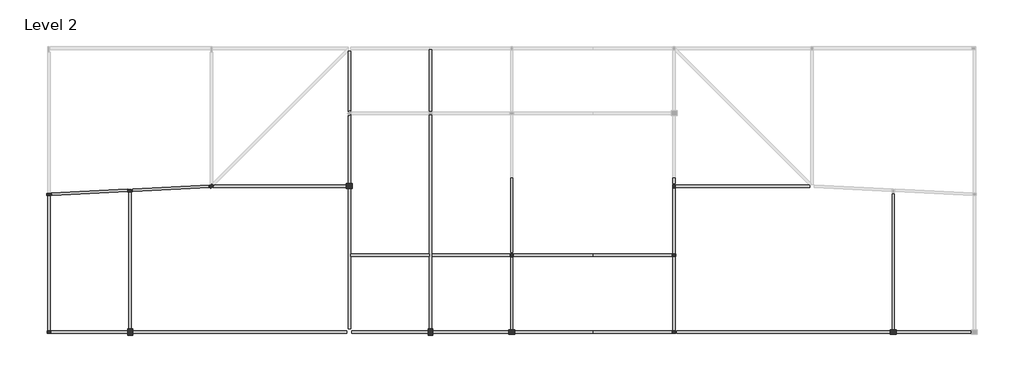
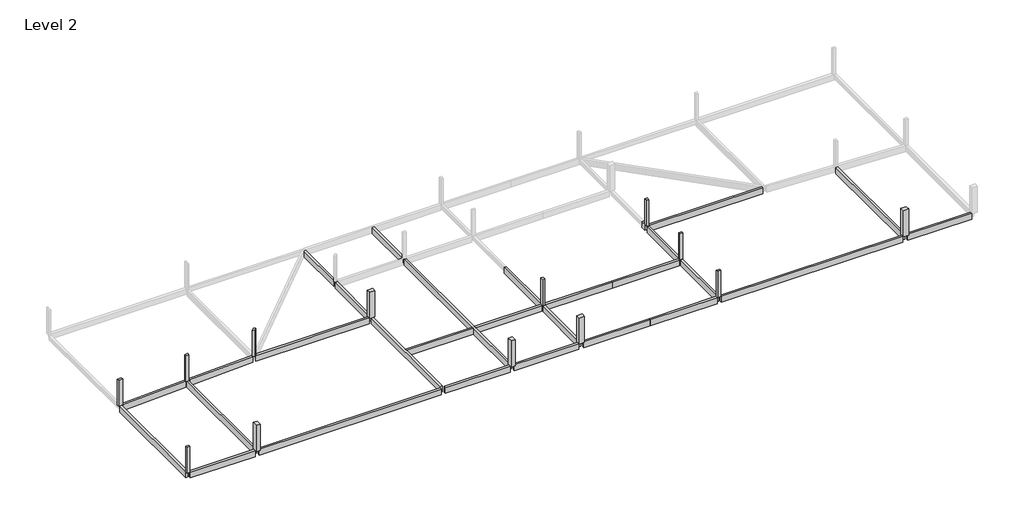
# One storey, part 1 of 2: 20 beams, 13 columns.
"""IFC4 building model written with IfcOpenShell, lengths in millimetres."""

from ifc_helpers import new_model, si_unit, frame, origin, place, context, project, spatial, polyline, outline, extrude, faceted_brep, element, save

model = new_model("IFC4")

# Units and contexts
model_context = context("Model", 3, world=origin())
ifc_project = project(units=[si_unit("LENGTHUNIT", "METRE", prefix="MILLI")], contexts=[model_context])

# Site, building, storey
site = spatial("IfcSite", under=ifc_project)
building = spatial("IfcBuilding", under=site)
storey = spatial("IfcBuildingStorey", under=building, Name="Level 2", Elevation=4000.0)

# Beams
placement = place(None, origin())
element("IfcBeam", 1, ObjectType="M_Concrete-Rectangular Beam : 300 x 900mm", at=placement, inside=storey, context=model_context, shape_type="SweptSolid", body=[
    extrude(outline(polyline([(4306.1468235, -7094.9155312), (4416.3524686, -7205.1211763), (-5015.5057722, -7676.7140883), (-5030.4870573, -7377.0883867), (4500.5245483, -6900.5378064), (4306.1468235, -7094.9155312)])), frame((0.0, 0.0, 3100.0), z_axis=(0.0, 0.0, 1.0), x_axis=(1.0, 0.0, 0.0)), (0.0, 0.0, 1.0), 900.0),
    extrude(outline(polyline([(-5629.7384606, -7407.0509568), (-5614.7571755, -7706.6766585), (-15015.5057722, -8176.7140883), (-15030.4870573, -7877.0883867), (-5629.7384606, -7407.0509568)])), frame((0.0, 0.0, 3100.0), z_axis=(0.0, 0.0, 1.0), x_axis=(1.0, 0.0, 0.0)), (0.0, 0.0, 1.0), 900.0),
])
element("IfcBeam", 2, ObjectType="M_Concrete-Rectangular Beam : 300 x 900mm", at=placement, inside=storey, context=model_context, shape_type="SweptSolid", body=[
    extrude(outline(polyline([(-15472.6221164, -8274.663597), (-15172.6221164, -8259.663597), (-15172.6221164, -24816.8825226), (-15472.6221164, -24816.8825226), (-15472.6221164, -8274.663597)])), frame((0.0, 0.0, 3100.0), z_axis=(0.0, 0.0, 1.0), x_axis=(1.0, 0.0, 0.0)), (0.0, 0.0, 1.0), 900.0),
])
element("IfcBeam", 3, ObjectType="M_Concrete-Rectangular Beam : 300 x 900mm", at=placement, inside=storey, context=model_context, shape_type="SweptSolid", body=[
    extrude(outline(polyline([(-5022.6221164, -25191.8825226), (-5022.6221164, -24891.8825226), (21377.3778836, -24891.8825226), (21377.3778836, -25191.8825226), (-5022.6221164, -25191.8825226)])), frame((0.0, 0.0, 3100.0), z_axis=(0.0, 0.0, 1.0), x_axis=(1.0, 0.0, 0.0)), (0.0, 0.0, 1.0), 900.0),
    extrude(outline(polyline([(-15022.6221164, -25191.8825226), (-15022.6221164, -24891.8825226), (-5622.6221164, -24891.8825226), (-5622.6221164, -25191.8825226), (-15022.6221164, -25191.8825226)])), frame((0.0, 0.0, 3100.0), z_axis=(0.0, 0.0, 1.0), x_axis=(1.0, 0.0, 0.0)), (0.0, 0.0, 1.0), 900.0),
])
element("IfcBeam", 4, ObjectType="M_Concrete-Rectangular Beam : 300 x 900mm", at=placement, inside=storey, context=model_context, shape_type="Brep", body=[
    faceted_brep([(21527.3778836, -24666.8825226, 4000.0), (21827.3778836, -24666.8825226, 4000.0), (21827.3778836, -15691.8825226, 4000.0), (21827.3778836, -15391.8825226, 4000.0), (21827.3778836, -7341.8825226, 4000.0), (21527.3778836, -7341.8825226, 4000.0), (21527.3778836, -24666.8825226, 3100.0), (21527.3778836, -7341.8825226, 3100.0), (21827.3778836, -24666.8825226, 3100.0), (21827.3778836, -7341.8825226, 3100.0), (21827.3778836, -15391.8825226, 3100.0), (21827.3778836, -15691.8825226, 3100.0)], [[[0, 1, 2, 3, 4, 5]], [[6, 0, 5, 7]], [[8, 6, 7, 9, 10, 11]], [[1, 8, 11, 10, 9, 4, 3, 2]], [[1, 0, 6, 8]], [[5, 4, 9, 7]]]),
    faceted_brep([(21527.3778836, 9595.9854431, 3100.0), (21527.3778836, 9595.9854431, 4000.0), (21539.509918, 9608.1174774, 4000.0), (21539.509918, 9608.1174774, 3100.0), (21827.3778836, 9608.1174774, 4000.0), (21827.3778836, 9608.1174774, 3100.0), (21730.4108922, 2329.3485375, 3100.0), (21730.4108922, 2329.3485375, 4000.0), (21527.3778836, 2126.315529, 4000.0), (21527.3778836, 2126.315529, 3100.0), (21827.3778836, 2232.3815461, 3100.0), (21827.3778836, 2232.3815461, 4000.0)], [[[0, 1, 2, 3]], [[2, 4, 5, 3]], [[6, 7, 8, 9]], [[7, 6, 10, 11]], [[2, 1, 8, 7, 11, 4]], [[1, 0, 9, 8]], [[0, 3, 5, 10, 6, 9]], [[5, 4, 11, 10]]]),
    faceted_brep([(21624.344875, 1586.8864173, 3100.0), (21624.344875, 1586.8864173, 4000.0), (21827.3778836, 1789.9194259, 4000.0), (21827.3778836, 1789.9194259, 3100.0), (21527.3778836, 1683.8534087, 3100.0), (21527.3778836, 1683.8534087, 4000.0), (21827.3778836, -6741.8825226, 4000.0), (21527.3778836, -6741.8825226, 4000.0), (21527.3778836, -6741.8825226, 3100.0), (21827.3778836, -6741.8825226, 3100.0)], [[[0, 1, 2, 3]], [[1, 0, 4, 5]], [[6, 7, 8, 9]], [[2, 1, 5, 7, 6]], [[5, 4, 8, 7]], [[0, 3, 9, 8, 4]], [[3, 2, 6, 9]]]),
])
element("IfcBeam", 5, ObjectType="M_Concrete-Rectangular Beam : 300 x 900mm", at=placement, inside=storey, context=model_context, shape_type="SweptSolid", body=[
    extrude(outline(polyline([(-5472.6221164, -7774.663597), (-5172.6221164, -7759.663597), (-5172.6221164, -24666.8825226), (-5472.6221164, -24666.8825226), (-5472.6221164, -7774.663597)])), frame((0.0, 0.0, 3100.0), z_axis=(0.0, 0.0, 1.0), x_axis=(1.0, 0.0, 0.0)), (0.0, 0.0, 1.0), 900.0),
])
element("IfcBeam", 6, ObjectType="M_Concrete-Rectangular Beam : 300 x 900mm", at=placement, inside=storey, context=model_context, shape_type="SweptSolid", body=[
    extrude(outline(polyline([(4995.5759351, -6935.8165054), (5039.509918, -6891.8825226), (21302.3778836, -6891.8825226), (21302.3778836, -7191.8825226), (4845.5759351, -7191.8825226), (5048.6089437, -6988.849514), (4995.5759351, -6935.8165054)])), frame((0.0, 0.0, 3100.0), z_axis=(0.0, 0.0, 1.0), x_axis=(1.0, 0.0, 0.0)), (0.0, 0.0, 1.0), 900.0),
])
element("IfcBeam", 7, ObjectType="M_Concrete-Rectangular Beam : 300 x 900mm", at=placement, inside=storey, context=model_context, shape_type="Brep", body=[
    faceted_brep([(41827.3778836, -15841.8825226, 4000.0), (41527.3778836, -15841.8825226, 4000.0), (41527.3778836, -24741.8825226, 4000.0), (41827.3778836, -24741.8825226, 4000.0), (41827.3778836, -15841.8825226, 3100.0), (41827.3778836, -24741.8825226, 3100.0), (41527.3778836, -15841.8825226, 3100.0), (41527.3778836, -24741.8825226, 3100.0)], [[[0, 1, 2, 3]], [[4, 0, 3, 5]], [[6, 4, 5, 7]], [[1, 6, 7, 2]], [[1, 0, 4, 6]], [[3, 2, 7, 5]]]),
    faceted_brep([(41527.3778836, -6041.8825226, 3100.0), (41527.3778836, -6041.8825226, 3400.0), (41527.3778836, -6041.8825226, 4000.0), (41827.3778836, -6041.8825226, 4000.0), (41827.3778836, -6041.8825226, 3400.0), (41827.3778836, -6041.8825226, 3100.0), (41827.3778836, -15241.8825226, 4000.0), (41527.3778836, -15241.8825226, 4000.0), (41527.3778836, -15241.8825226, 3100.0), (41827.3778836, -15241.8825226, 3100.0)], [[[0, 1, 2, 3, 4, 5]], [[6, 7, 8, 9]], [[3, 2, 7, 6]], [[5, 4, 3, 6, 9]], [[0, 5, 9, 8]], [[2, 1, 0, 8, 7]]]),
])
element("IfcBeam", 8, ObjectType="M_Concrete-Rectangular Beam : 300 x 900mm", at=placement, inside=storey, context=model_context, shape_type="Brep", body=[
    faceted_brep([(31827.3778836, 1733.1174774, 4000.0), (31527.3778836, 1733.1174774, 4000.0), (31527.3778836, -15391.8825226, 4000.0), (31527.3778836, -15691.8825226, 4000.0), (31527.3778836, -24666.8825226, 4000.0), (31827.3778836, -24666.8825226, 4000.0), (31827.3778836, -15691.8825226, 4000.0), (31827.3778836, -15391.8825226, 4000.0), (31827.3778836, 1733.1174774, 3100.0), (31827.3778836, -24666.8825226, 3100.0), (31827.3778836, -15691.8825226, 3100.0), (31827.3778836, -15391.8825226, 3100.0), (31527.3778836, 1733.1174774, 3100.0), (31527.3778836, -24666.8825226, 3100.0), (31527.3778836, -15691.8825226, 3100.0), (31527.3778836, -15391.8825226, 3100.0)], [[[0, 1, 2, 3, 4, 5, 6, 7]], [[8, 0, 7, 6, 5, 9, 10, 11]], [[12, 8, 11, 10, 9, 13, 14, 15]], [[1, 12, 15, 14, 13, 4, 3, 2]], [[1, 0, 8, 12]], [[5, 4, 13, 9]]]),
    faceted_brep([(31527.3778836, 9808.1174774, 4000.0), (31827.3778836, 9808.1174774, 4000.0), (31827.3778836, 9808.1174774, 3100.0), (31527.3778836, 9808.1174774, 3100.0), (31827.3778836, 2183.1174774, 4000.0), (31527.3778836, 2183.1174774, 4000.0), (31527.3778836, 2183.1174774, 3100.0), (31827.3778836, 2183.1174774, 3100.0)], [[[0, 1, 2, 3]], [[4, 5, 6, 7]], [[1, 0, 5, 4]], [[2, 1, 4, 7]], [[3, 2, 7, 6]], [[0, 3, 6, 5]]]),
])
element("IfcBeam", 9, ObjectType="M_Concrete-Rectangular Beam : 300 x 900mm", at=placement, inside=storey, context=model_context, shape_type="SweptSolid", body=[
    extrude(outline(polyline([(31977.3778836, -25191.8825226), (31977.3778836, -24891.8825226), (41302.3778836, -24891.8825226), (41302.3778836, -25191.8825226), (31977.3778836, -25191.8825226)])), frame((0.0, 0.0, 3100.0), z_axis=(0.0, 0.0, 1.0), x_axis=(1.0, 0.0, 0.0)), (0.0, 0.0, 1.0), 900.0),
])
element("IfcBeam", 10, ObjectType="M_Concrete-Rectangular Beam : 300 x 900mm", at=placement, inside=storey, context=model_context, shape_type="SweptSolid", body=[
    extrude(outline(polyline([(31827.3778836, -15691.8825226), (31827.3778836, -15391.8825226), (41452.3778836, -15391.8825226), (41452.3778836, -15691.8825226), (31827.3778836, -15691.8825226)])), frame((0.0, 0.0, 3100.0), z_axis=(0.0, 0.0, 1.0), x_axis=(1.0, 0.0, 0.0)), (0.0, 0.0, 1.0), 900.0),
])
element("IfcBeam", 11, ObjectType="M_Concrete-Rectangular Beam : 300 x 900mm", at=placement, inside=storey, context=model_context, shape_type="SweptSolid", body=[
    extrude(outline(polyline([(21977.3778836, -25191.8825226), (21977.3778836, -24891.8825226), (31377.3778836, -24891.8825226), (31377.3778836, -25191.8825226), (21977.3778836, -25191.8825226)])), frame((0.0, 0.0, 3100.0), z_axis=(0.0, 0.0, 1.0), x_axis=(1.0, 0.0, 0.0)), (0.0, 0.0, 1.0), 900.0),
])
element("IfcBeam", 12, ObjectType="M_Concrete-Rectangular Beam : 300 x 900mm", at=placement, inside=storey, context=model_context, shape_type="SweptSolid", body=[
    extrude(outline(polyline([(31527.3778836, -15391.8825226), (31527.3778836, -15691.8825226), (21827.3778836, -15691.8825226), (21827.3778836, -15391.8825226), (31527.3778836, -15391.8825226)])), frame((0.0, 0.0, 3100.0), z_axis=(0.0, 0.0, 1.0), x_axis=(1.0, 0.0, 0.0)), (0.0, 0.0, 1.0), 900.0),
])
element("IfcBeam", 13, ObjectType="M_Concrete-Rectangular Beam : 300 x 900mm", at=placement, inside=storey, context=model_context, shape_type="SweptSolid", body=[
    extrude(outline(polyline([(61977.3778836, -25191.8825226), (61977.3778836, -24891.8825226), (88302.3778836, -24891.8825226), (88302.3778836, -25191.8825226), (61977.3778836, -25191.8825226)])), frame((0.0, 0.0, 3100.0), z_axis=(0.0, 0.0, 1.0), x_axis=(1.0, 0.0, 0.0)), (0.0, 0.0, 1.0), 900.0),
    extrude(outline(polyline([(89052.3778836, -25191.8825226), (89052.3778836, -24891.8825226), (98302.3778836, -24891.8825226), (98302.3778836, -25191.8825226), (89052.3778836, -25191.8825226)])), frame((0.0, 0.0, 3100.0), z_axis=(0.0, 0.0, 1.0), x_axis=(1.0, 0.0, 0.0)), (0.0, 0.0, 1.0), 900.0),
])
element("IfcBeam", 14, ObjectType="M_Concrete-Rectangular Beam : 300 x 900mm", at=placement, inside=storey, context=model_context, shape_type="Brep", body=[
    faceted_brep([(61827.3778836, -15766.8825226, 4000.0), (61527.3778836, -15766.8825226, 4000.0), (61527.3778836, -24816.8825226, 4000.0), (61827.3778836, -24816.8825226, 4000.0), (61827.3778836, -15766.8825226, 3100.0), (61827.3778836, -24816.8825226, 3100.0), (61527.3778836, -15766.8825226, 3100.0), (61527.3778836, -24816.8825226, 3100.0)], [[[0, 1, 2, 3]], [[4, 0, 3, 5]], [[6, 4, 5, 7]], [[1, 6, 7, 2]], [[1, 0, 4, 6]], [[3, 2, 7, 5]]]),
    faceted_brep([(61527.3778836, -6041.8825226, 3100.0), (61527.3778836, -6041.8825226, 3400.0), (61527.3778836, -6041.8825226, 4000.0), (61827.3778836, -6041.8825226, 4000.0), (61827.3778836, -6041.8825226, 3400.0), (61827.3778836, -6041.8825226, 3100.0), (61827.3778836, -6741.8825226, 4000.0), (61527.3778836, -6741.8825226, 4000.0), (61527.3778836, -6741.8825226, 3100.0), (61827.3778836, -6741.8825226, 3100.0)], [[[0, 1, 2, 3, 4, 5]], [[6, 7, 8, 9]], [[3, 2, 7, 6]], [[5, 4, 3, 6, 9]], [[0, 5, 9, 8]], [[2, 1, 0, 8, 7]]]),
    faceted_brep([(61527.3778836, -7341.8825226, 4000.0), (61827.3778836, -7341.8825226, 4000.0), (61827.3778836, -7341.8825226, 3100.0), (61527.3778836, -7341.8825226, 3100.0), (61827.3778836, -15316.8825226, 4000.0), (61527.3778836, -15316.8825226, 4000.0), (61527.3778836, -15316.8825226, 3100.0), (61827.3778836, -15316.8825226, 3100.0)], [[[0, 1, 2, 3]], [[4, 5, 6, 7]], [[1, 0, 5, 4]], [[2, 1, 4, 7]], [[3, 2, 7, 6]], [[0, 3, 6, 5]]]),
])
element("IfcBeam", 15, ObjectType="M_Concrete-Rectangular Beam : 300 x 900mm", at=placement, inside=storey, context=model_context, shape_type="SweptSolid", body=[
    extrude(outline(polyline([(88527.3778836, -7992.0699055), (88827.3778836, -7992.0699055), (88827.3778836, -24741.8825226), (88527.3778836, -24741.8825226), (88527.3778836, -7992.0699055)])), frame((0.0, 0.0, 3100.0), z_axis=(0.0, 0.0, 1.0), x_axis=(1.0, 0.0, 0.0)), (0.0, 0.0, 1.0), 900.0),
])
element("IfcBeam", 16, ObjectType="M_Concrete-Rectangular Beam : 300 x 900mm", at=placement, inside=storey, context=model_context, shape_type="SweptSolid", body=[
    extrude(outline(polyline([(78315.2458493, -6891.8825226), (78377.3778836, -6954.0145569), (78377.3778836, -7191.8825226), (61902.3778836, -7191.8825226), (61902.3778836, -6891.8825226), (78315.2458493, -6891.8825226)])), frame((0.0, 0.0, 3100.0), z_axis=(0.0, 0.0, 1.0), x_axis=(1.0, 0.0, 0.0)), (0.0, 0.0, 1.0), 900.0),
])
element("IfcBeam", 17, ObjectType="M_Concrete-Rectangular Beam : 300 x 900mm", at=placement, inside=storey, context=model_context, shape_type="SweptSolid", body=[
    extrude(outline(polyline([(51677.3778836, -24891.8825226), (51677.3778836, -25191.8825226), (42052.3778836, -25191.8825226), (42052.3778836, -24891.8825226), (51677.3778836, -24891.8825226)])), frame((0.0, 0.0, 3100.0), z_axis=(0.0, 0.0, 1.0), x_axis=(1.0, 0.0, 0.0)), (0.0, 0.0, 1.0), 900.0),
])
element("IfcBeam", 18, ObjectType="M_Concrete-Rectangular Beam : 300 x 900mm", at=placement, inside=storey, context=model_context, shape_type="SweptSolid", body=[
    extrude(outline(polyline([(51677.3778836, -15391.8825226), (51677.3778836, -15691.8825226), (41902.3778836, -15691.8825226), (41902.3778836, -15391.8825226), (51677.3778836, -15391.8825226)])), frame((0.0, 0.0, 3100.0), z_axis=(0.0, 0.0, 1.0), x_axis=(1.0, 0.0, 0.0)), (0.0, 0.0, 1.0), 900.0),
])
element("IfcBeam", 19, ObjectType="M_Concrete-Rectangular Beam : 300 x 900mm", at=placement, inside=storey, context=model_context, shape_type="SweptSolid", body=[
    extrude(outline(polyline([(51677.3778836, -25191.8825226), (51677.3778836, -24891.8825226), (61377.3778836, -24891.8825226), (61377.3778836, -25191.8825226), (51677.3778836, -25191.8825226)])), frame((0.0, 0.0, 3100.0), z_axis=(0.0, 0.0, 1.0), x_axis=(1.0, 0.0, 0.0)), (0.0, 0.0, 1.0), 900.0),
])
element("IfcBeam", 20, ObjectType="M_Concrete-Rectangular Beam : 300 x 900mm", at=placement, inside=storey, context=model_context, shape_type="SweptSolid", body=[
    extrude(outline(polyline([(51677.3778836, -15691.8825226), (51677.3778836, -15391.8825226), (61377.3778836, -15391.8825226), (61377.3778836, -15691.8825226), (51677.3778836, -15691.8825226)])), frame((0.0, 0.0, 3100.0), z_axis=(0.0, 0.0, 1.0), x_axis=(1.0, 0.0, 0.0)), (0.0, 0.0, 1.0), 900.0),
])

# Columns
element("IfcColumn", 21, ObjectType="M_Concrete-Rectangular-Column : 250 x 600mm", at=placement, inside=storey, context=model_context, shape_type="Brep", body=[
    faceted_brep([(-15628.4900202, -7932.0197653, 4000.0), (-15029.2386168, -7902.0571951, 4000.0), (-15016.7542126, -8151.7452799, 4000.0), (-15616.0056159, -8181.70785, 4000.0), (-15628.4900202, -7932.0197653, 8000.0), (-15029.2386168, -7902.0571951, 8000.0), (-15029.2386168, -7902.0571951, 7000.0), (-15029.2386168, -7902.0571951, 6100.0), (-15016.7542126, -8151.7452799, 8000.0), (-15016.7542126, -8151.7452799, 7000.0), (-15016.7542126, -8151.7452799, 6100.0), (-15616.0056159, -8181.70785, 8000.0)], [[[0, 1, 2, 3]], [[4, 5, 6, 7, 1, 0]], [[5, 8, 9, 10, 2, 1, 7, 6]], [[8, 11, 3, 2, 10, 9]], [[11, 4, 0, 3]], [[4, 11, 8, 5]]]),
])
element("IfcColumn", 22, ObjectType="M_Concrete-Rectangular-Column : 300 x 450mm", at=placement, inside=storey, context=model_context, shape_type="Brep", body=[
    faceted_brep([(61527.3778836, -7266.8825226, 4000.0), (61527.3778836, -6816.8825226, 4000.0), (61827.3778836, -6816.8825226, 4000.0), (61827.3778836, -7266.8825226, 4000.0), (61527.3778836, -7266.8825226, 8000.0), (61527.3778836, -6816.8825226, 8000.0), (61527.3778836, -6816.8825226, 7000.0), (61527.3778836, -6816.8825226, 6100.0), (61527.3778836, -7266.8825226, 6100.0), (61527.3778836, -7266.8825226, 7000.0), (61827.3778836, -6816.8825226, 8000.0), (61827.3778836, -6816.8825226, 7000.0), (61827.3778836, -6816.8825226, 6100.0), (61827.3778836, -7266.8825226, 8000.0), (61827.3778836, -7266.8825226, 7000.0), (61827.3778836, -7266.8825226, 6100.0)], [[[0, 1, 2, 3]], [[4, 5, 6, 7, 1, 0, 8, 9]], [[5, 10, 11, 12, 2, 1, 7, 6]], [[10, 13, 14, 15, 3, 2, 12, 11]], [[13, 4, 9, 8, 0, 3, 15, 14]], [[4, 13, 10, 5]]]),
])
element("IfcColumn", 23, ObjectType="M_Concrete-Rectangular-Column : 300 x 450mm", at=placement, inside=storey, context=model_context, shape_type="Brep", body=[
    faceted_brep([(41527.3778836, -15766.8825226, 4000.0), (41527.3778836, -15316.8825226, 4000.0), (41827.3778836, -15316.8825226, 4000.0), (41827.3778836, -15766.8825226, 4000.0), (41527.3778836, -15766.8825226, 8000.0), (41527.3778836, -15316.8825226, 8000.0), (41527.3778836, -15316.8825226, 7000.0), (41527.3778836, -15316.8825226, 6100.0), (41527.3778836, -15766.8825226, 6100.0), (41527.3778836, -15766.8825226, 7000.0), (41827.3778836, -15316.8825226, 8000.0), (41827.3778836, -15316.8825226, 7000.0), (41827.3778836, -15316.8825226, 6100.0), (41827.3778836, -15766.8825226, 8000.0), (41827.3778836, -15766.8825226, 7000.0), (41827.3778836, -15766.8825226, 6100.0)], [[[0, 1, 2, 3]], [[4, 5, 6, 7, 1, 0, 8, 9]], [[5, 10, 11, 12, 2, 1, 7, 6]], [[10, 13, 14, 15, 3, 2, 12, 11]], [[13, 4, 9, 8, 0, 3, 15, 14]], [[4, 13, 10, 5]]]),
])
element("IfcColumn", 24, ObjectType="M_Concrete-Rectangular-Column : 300 x 450mm", at=placement, inside=storey, context=model_context, shape_type="Brep", body=[
    faceted_brep([(61902.3778836, -15691.8825226, 4000.0), (61452.3778836, -15691.8825226, 4000.0), (61452.3778836, -15391.8825226, 4000.0), (61902.3778836, -15391.8825226, 4000.0), (61902.3778836, -15691.8825226, 8000.0), (61452.3778836, -15691.8825226, 8000.0), (61452.3778836, -15691.8825226, 7000.0), (61452.3778836, -15691.8825226, 6100.0), (61452.3778836, -15391.8825226, 8000.0), (61452.3778836, -15391.8825226, 7000.0), (61452.3778836, -15391.8825226, 6100.0), (61902.3778836, -15391.8825226, 8000.0)], [[[0, 1, 2, 3]], [[4, 5, 6, 7, 1, 0]], [[5, 8, 9, 10, 2, 1, 7, 6]], [[8, 11, 3, 2, 10, 9]], [[11, 4, 0, 3]], [[4, 11, 8, 5]]]),
])
element("IfcColumn", 25, ObjectType="M_Concrete-Rectangular-Column : 300 x 450mm", at=placement, inside=storey, context=model_context, shape_type="Brep", body=[
    faceted_brep([(61902.3778836, -25191.8825226, 4000.0), (61452.3778836, -25191.8825226, 4000.0), (61452.3778836, -24891.8825226, 4000.0), (61902.3778836, -24891.8825226, 4000.0), (61902.3778836, -25191.8825226, 8000.0), (61452.3778836, -25191.8825226, 8000.0), (61452.3778836, -25191.8825226, 7000.0), (61452.3778836, -25191.8825226, 6100.0), (61902.3778836, -25191.8825226, 6100.0), (61902.3778836, -25191.8825226, 7000.0), (61452.3778836, -24891.8825226, 8000.0), (61452.3778836, -24891.8825226, 7000.0), (61452.3778836, -24891.8825226, 6100.0), (61902.3778836, -24891.8825226, 8000.0), (61902.3778836, -24891.8825226, 7000.0), (61902.3778836, -24891.8825226, 6100.0)], [[[0, 1, 2, 3]], [[4, 5, 6, 7, 1, 0, 8, 9]], [[5, 10, 11, 12, 2, 1, 7, 6]], [[10, 13, 14, 15, 3, 2, 12, 11]], [[13, 4, 9, 8, 0, 3, 15, 14]], [[4, 13, 10, 5]]]),
])
element("IfcColumn", 26, ObjectType="M_Concrete-Rectangular-Column : 300 x 450mm", at=placement, inside=storey, context=model_context, shape_type="Brep", body=[
    faceted_brep([(4942.5429266, -6988.849514, 4000.0), (4624.344875, -7307.0475655, 4000.0), (4412.2128407, -7094.9155312, 4000.0), (4730.4108922, -6776.7174796, 4000.0), (4942.5429266, -6988.849514, 8000.0), (4624.344875, -7307.0475655, 8000.0), (4942.5429266, -6988.849514, 6100.0), (4942.5429266, -6988.849514, 7000.0), (4412.2128407, -7094.9155312, 8000.0), (4412.2128407, -7094.9155312, 7000.0), (4412.2128407, -7094.9155312, 6100.0), (4730.4108922, -6776.7174796, 8000.0), (4730.4108922, -6776.7174796, 7000.0), (4730.4108922, -6776.7174796, 6100.0)], [[[0, 1, 2, 3]], [[4, 5, 1, 0, 6, 7]], [[5, 8, 9, 10, 2, 1]], [[8, 11, 12, 13, 3, 2, 10, 9]], [[11, 4, 7, 6, 0, 3, 13, 12]], [[4, 11, 8, 5]]]),
])
element("IfcColumn", 27, ObjectType="M_Concrete-Rectangular-Column : 300 x 450mm", at=placement, inside=storey, context=model_context, shape_type="Brep", body=[
    faceted_brep([(-5625.9931393, -7481.9573823, 4000.0), (-5176.5545868, -7459.4854546, 4000.0), (-5161.5733017, -7759.1111563, 4000.0), (-5611.0118542, -7781.5830839, 4000.0), (-5625.9931393, -7481.9573823, 8000.0), (-5176.5545868, -7459.4854546, 8000.0), (-5176.5545868, -7459.4854546, 7000.0), (-5176.5545868, -7459.4854546, 6100.0), (-5625.9931393, -7481.9573823, 6100.0), (-5625.9931393, -7481.9573823, 7000.0), (-5161.5733017, -7759.1111563, 8000.0), (-5611.0118542, -7781.5830839, 8000.0)], [[[0, 1, 2, 3]], [[4, 5, 6, 7, 1, 0, 8, 9]], [[5, 10, 2, 1, 7, 6]], [[10, 11, 3, 2]], [[11, 4, 9, 8, 0, 3]], [[4, 11, 10, 5]]]),
])
element("IfcColumn", 28, ObjectType="M_Concrete-Rectangular-Column : 300 x 450mm", at=placement, inside=storey, context=model_context, shape_type="Brep", body=[
    faceted_brep([(-15097.6221164, -25191.8825226, 4000.0), (-15547.6221164, -25191.8825226, 4000.0), (-15547.6221164, -24891.8825226, 4000.0), (-15097.6221164, -24891.8825226, 4000.0), (-15097.6221164, -25191.8825226, 8000.0), (-15547.6221164, -25191.8825226, 8000.0), (-15097.6221164, -25191.8825226, 6100.0), (-15097.6221164, -25191.8825226, 7000.0), (-15547.6221164, -24891.8825226, 8000.0), (-15097.6221164, -24891.8825226, 8000.0), (-15097.6221164, -24891.8825226, 7000.0), (-15097.6221164, -24891.8825226, 6100.0)], [[[0, 1, 2, 3]], [[4, 5, 1, 0, 6, 7]], [[5, 8, 2, 1]], [[8, 9, 10, 11, 3, 2]], [[9, 4, 7, 6, 0, 3, 11, 10]], [[4, 9, 8, 5]]]),
])
element("IfcColumn", 29, ObjectType="M_Concrete-Rectangular-Column : 600 x 750mm", at=placement, inside=storey, context=model_context, shape_type="SweptSolid", body=[
    extrude(outline(polyline([(-5022.6221164, -24666.8825226), (-5022.6221164, -25416.8825226), (-5622.6221164, -25416.8825226), (-5622.6221164, -24666.8825226), (-5022.6221164, -24666.8825226)])), frame((0.0, 0.0, 4000.0), z_axis=(0.0, 0.0, 1.0), x_axis=(1.0, 0.0, 0.0)), (0.0, 0.0, 1.0), 4000.0),
])
element("IfcColumn", 30, ObjectType="M_Concrete-Rectangular-Column : 600 x 750mm", at=placement, inside=storey, context=model_context, shape_type="SweptSolid", body=[
    extrude(outline(polyline([(31977.3778836, -24666.8825226), (31977.3778836, -25416.8825226), (31377.3778836, -25416.8825226), (31377.3778836, -24666.8825226), (31977.3778836, -24666.8825226)])), frame((0.0, 0.0, 4000.0), z_axis=(0.0, 0.0, 1.0), x_axis=(1.0, 0.0, 0.0)), (0.0, 0.0, 1.0), 4000.0),
])
element("IfcColumn", 31, ObjectType="M_Concrete-Rectangular-Column : 600 x 750mm", at=placement, inside=storey, context=model_context, shape_type="SweptSolid", body=[
    extrude(outline(polyline([(41302.3778836, -24741.8825226), (42052.3778836, -24741.8825226), (42052.3778836, -25341.8825226), (41302.3778836, -25341.8825226), (41302.3778836, -24741.8825226)])), frame((0.0, 0.0, 4000.0), z_axis=(0.0, 0.0, 1.0), x_axis=(1.0, 0.0, 0.0)), (0.0, 0.0, 1.0), 4000.0),
])
element("IfcColumn", 32, ObjectType="M_Concrete-Rectangular-Column : 600 x 750mm", at=placement, inside=storey, context=model_context, shape_type="SweptSolid", body=[
    extrude(outline(polyline([(88302.3778836, -24741.8825226), (89052.3778836, -24741.8825226), (89052.3778836, -25341.8825226), (88302.3778836, -25341.8825226), (88302.3778836, -24741.8825226)])), frame((0.0, 0.0, 4000.0), z_axis=(0.0, 0.0, 1.0), x_axis=(1.0, 0.0, 0.0)), (0.0, 0.0, 1.0), 4000.0),
])
element("IfcColumn", 33, ObjectType="M_Concrete-Rectangular-Column : 600 x 750mm", at=placement, inside=storey, context=model_context, shape_type="SweptSolid", body=[
    extrude(outline(polyline([(21302.3778836, -6741.8825226), (22052.3778836, -6741.8825226), (22052.3778836, -7341.8825226), (21302.3778836, -7341.8825226), (21302.3778836, -6741.8825226)])), frame((0.0, 0.0, 4000.0), z_axis=(0.0, 0.0, 1.0), x_axis=(1.0, 0.0, 0.0)), (0.0, 0.0, 1.0), 4000.0),
])

save(model, "model.ifc")
